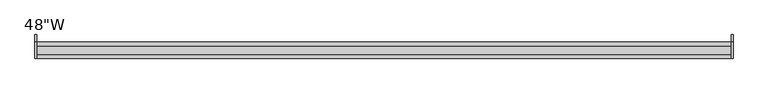
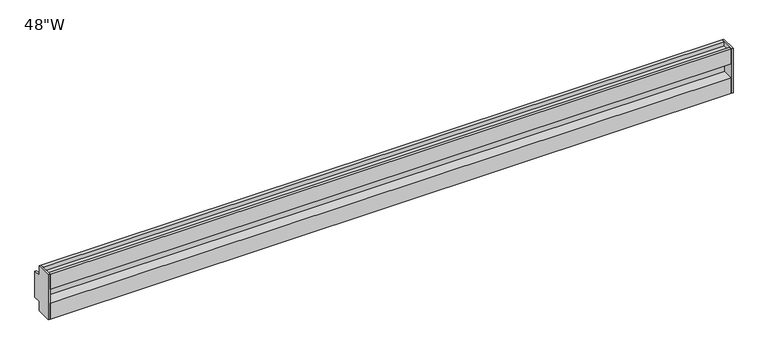
"""IFC4 building model written with IfcOpenShell, lengths in millimetres: furniture geometry."""

from ifc_helpers import new_model, si_unit, frame, origin, place, context, project, spatial, polyline, outline, extrude, source, transform, mapped, element, save


def furniture_77d59e96(model_context):
    return source(origin(), model_context, "Body", "SweptSolid", [
        extrude(outline(polyline([(0.0, 1431.9250015), (-12.8269987, 1431.9250015), (-12.8269987, 1414.4625), (-41.275, 1414.4625), (-41.275, 1498.6), (-12.8269987, 1498.6), (-12.8269987, 1480.8200014), (0.0, 1480.8200014), (0.0, 1431.9250015)])), frame((606.4249999, 0.0, 0.0), z_axis=(1.0, 0.0, 0.0), x_axis=(0.0, 1.0, 0.0)), (0.0, 0.0, 1.0), 3.1750001),
        extrude(outline(polyline([(-12.8269987, 1480.8200014), (0.0, 1480.8200014), (0.0, 1431.9250015), (-12.8269987, 1431.9250015), (-12.8269987, 1414.4625), (-41.275, 1414.4625), (-41.275, 1498.6), (-12.8269987, 1498.6), (-12.8269987, 1480.8200014)])), frame((-609.6, 0.0, 0.0), z_axis=(1.0, 0.0, 0.0), x_axis=(0.0, 1.0, 0.0)), (0.0, 0.0, 1.0), 3.1750001),
        extrude(outline(polyline([(-12.8269987, 1498.6), (-12.8269987, 1414.4625), (-41.275, 1414.4625), (-41.275, 1443.9265037), (-20.6375, 1443.9265037), (-20.6375, 1470.5168647), (-41.275, 1470.5168647), (-41.275, 1498.6), (-35.9409983, 1498.6), (-35.9409983, 1491.1705018), (-19.6849979, 1491.1705018), (-19.6849979, 1498.6), (-12.8269987, 1498.6)])), frame((-606.4249999, 0.0, 0.0), z_axis=(1.0, 0.0, 0.0), x_axis=(0.0, 1.0, 0.0)), (0.0, 0.0, 1.0), 1212.8499998),
    ])


if __name__ == "__main__":
    model = new_model("IFC4")
    model_context = context("Model", 3, world=origin())
    ifc_project = project(units=[si_unit("LENGTHUNIT", "METRE", prefix="MILLI")], contexts=[model_context])
    site = spatial("IfcSite", under=ifc_project)
    building = spatial("IfcBuilding", under=site)
    placement = place(None, origin())
    furniture_shape = furniture_77d59e96(model_context)
    element("IfcFurniture", 1, ObjectType="48\"W", at=placement, inside=building, context=model_context, shape_type="MappedRepresentation", body=[
        mapped(furniture_shape, transform((0.0, 0.0, 0.0), x_axis=(1.0, 0.0, 0.0), y_axis=(0.0, 1.0, 0.0), z_axis=(0.0, 0.0, 1.0))),
    ])
    save(model, "model.ifc")
